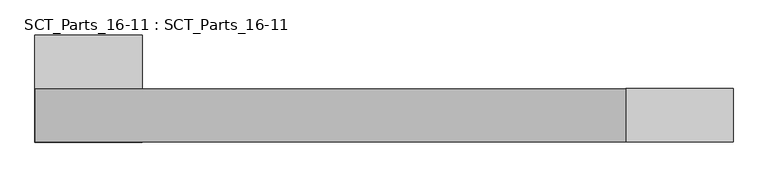
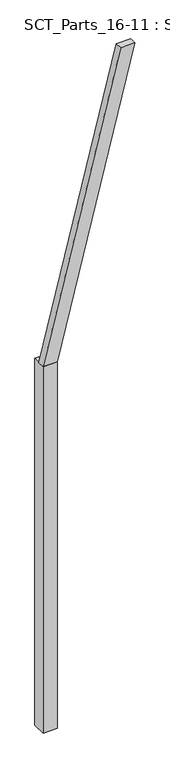
"""IFC4 building model written with IfcOpenShell, lengths in millimetres: proxy geometry, SCT_Parts_16-11 : SCT_Parts_16-11."""

from ifc_helpers import new_model, si_unit, frame, origin, origin_with_axes, place, context, project, spatial, polyline, outline, extrude, source, transform, mapped, element, save


def sct_parts_16_11_sct_parts_16_11_112084e6(model_context):
    return source(origin(), model_context, "Body", "SweptSolid", [
        extrude(outline(polyline([(5500.0, 200.0), (9900.0, 1300.0), (9900.0, 1100.0), (5500.0, 0.0), (5500.0, 200.0)])), frame((0.0, -200.0, 0.0), z_axis=(0.0, 1.0, 0.0), x_axis=(0.0, 0.0, 1.0)), (0.0, 0.0, 1.0), 100.0),
        extrude(outline(polyline([(200.0, -200.0), (0.0, -200.0), (0.0, 0.0), (200.0, 0.0), (200.0, -200.0)])), origin_with_axes(), (0.0, 0.0, 1.0), 5500.0),
    ])


if __name__ == "__main__":
    model = new_model("IFC4")
    model_context = context("Model", 3, world=origin())
    ifc_project = project(units=[si_unit("LENGTHUNIT", "METRE", prefix="MILLI")], contexts=[model_context])
    site = spatial("IfcSite", under=ifc_project)
    building = spatial("IfcBuilding", under=site)
    placement = place(None, origin())
    sct_parts_16_11_sct_parts_16_11_shape = sct_parts_16_11_sct_parts_16_11_112084e6(model_context)
    element("IfcBuildingElementProxy", 1, Name="SCT_Parts_16-11 : SCT_Parts_16-11", ObjectType="SCT_Parts_16-11 : SCT_Parts_16-11", at=placement, inside=building, context=model_context, shape_type="MappedRepresentation", body=[
        mapped(sct_parts_16_11_sct_parts_16_11_shape, transform((0.0, 0.0, 0.0), x_axis=(1.0, 0.0, 0.0), y_axis=(0.0, 1.0, 0.0), z_axis=(0.0, 0.0, 1.0))),
    ])
    save(model, "model.ifc")
